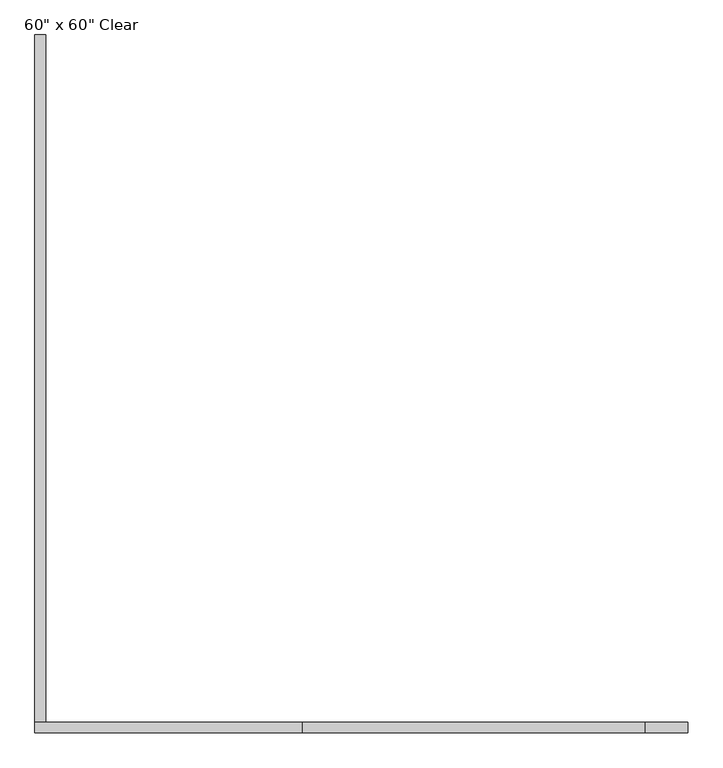
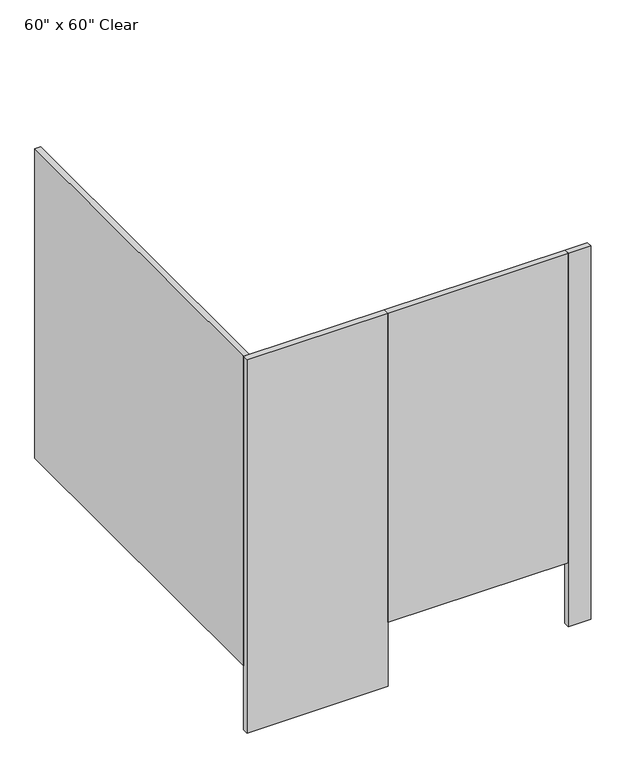
"""IFC4 building model written with IfcOpenShell, lengths in millimetres: proxy geometry."""

from ifc_helpers import new_model, si_unit, frame, origin, origin_with_axes, place, context, project, spatial, polyline, outline, extrude, source, transform, mapped, element, save


def proxy_deb97b80(model_context):
    return source(origin(), model_context, "Body", "SweptSolid", [
        extrude(outline(polyline([(1370.1031538, -1720.85), (557.3031538, -1720.85), (557.3031538, -1695.45), (1370.1031538, -1695.45), (1370.1031538, -1720.85)])), frame((0.0, 0.0, 304.8), z_axis=(0.0, 0.0, 1.0), x_axis=(1.0, 0.0, 0.0)), (0.0, 0.0, 1.0), 1473.2),
        extrude(outline(polyline([(557.3031538, -1720.85), (-77.6968462, -1720.85), (-77.6968462, -1695.45), (557.3031538, -1695.45), (557.3031538, -1720.85)])), origin_with_axes(), (0.0, 0.0, 1.0), 1778.0),
        extrude(outline(polyline([(1471.7031538, -1720.85), (1370.1031538, -1720.85), (1370.1031538, -1695.45), (1471.7031538, -1695.45), (1471.7031538, -1720.85)])), origin_with_axes(), (0.0, 0.0, 1.0), 1778.0),
        extrude(outline(polyline([(-77.6968462, -1695.45), (-77.6968462, -65.0875), (-52.2968462, -65.0875), (-52.2968462, -1695.45), (-77.6968462, -1695.45)])), frame((0.0, 0.0, 304.8), z_axis=(0.0, 0.0, 1.0), x_axis=(1.0, 0.0, 0.0)), (0.0, 0.0, 1.0), 1473.2),
    ])


if __name__ == "__main__":
    model = new_model("IFC4")
    model_context = context("Model", 3, world=origin())
    ifc_project = project(units=[si_unit("LENGTHUNIT", "METRE", prefix="MILLI")], contexts=[model_context])
    site = spatial("IfcSite", under=ifc_project)
    building = spatial("IfcBuilding", under=site)
    placement = place(None, origin())
    proxy_shape = proxy_deb97b80(model_context)
    element("IfcBuildingElementProxy", 1, Name="60\" x 60\" Clear", ObjectType="60\" x 60\" Clear", at=placement, inside=building, context=model_context, shape_type="MappedRepresentation", body=[
        mapped(proxy_shape, transform((0.0, 0.0, 0.0), x_axis=(1.0, 0.0, 0.0), y_axis=(0.0, 1.0, 0.0), z_axis=(0.0, 0.0, 1.0))),
    ])
    save(model, "model.ifc")
